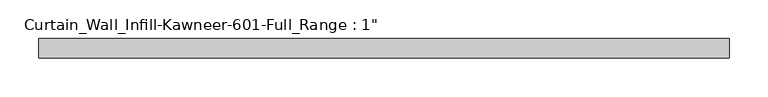
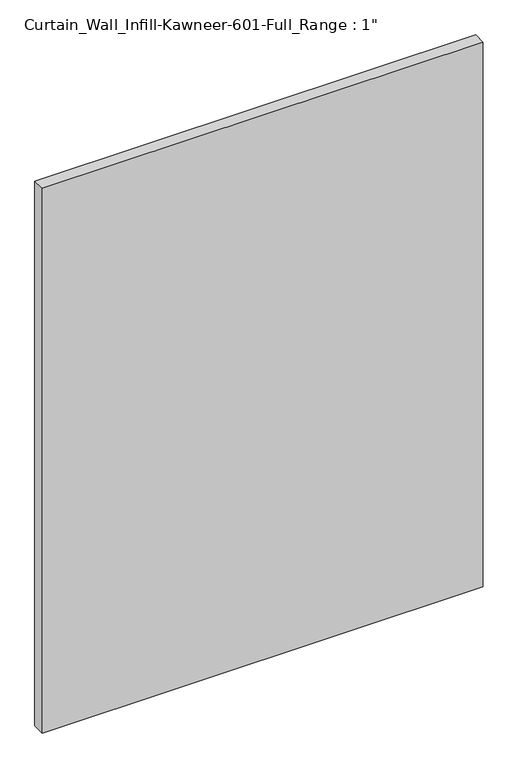
"""IFC4 building model written with IfcOpenShell, lengths in millimetres: plate geometry."""

import ifcopenshell
import ifcopenshell.guid

model = None  # the IFC model being written
_history = None  # IfcOwnerHistory: only IFC2X3 demands one
_inside = {}  # id of a spatial element -> (the spatial element, [elements in it])
_under = {}  # id of a project, library or spatial element -> (it, [spatial elements below it])
_declared = {}  # id of a project -> (the project, [libraries it declares])
_typed = {}  # id of a type object -> (the type object, [elements of that type])
_made_of = {}  # id of a material, layer set ... -> (it, [elements and type objects made of it])


def new_model(schema):
    """Start an empty IFC model of exactly this schema.

    Asked for "IFC4X3", IfcOpenShell would pick the latest addendum, in which some entities
    have other attributes; the version numbers below select the first issue.
    IFC2X3 requires an IfcOwnerHistory on every rooted entity: one is made here for all.
    """
    global model, _history
    if schema == "IFC4X3":
        model = ifcopenshell.file(schema_version=(4, 3, 0, 0))
    else:
        model = ifcopenshell.file(schema=schema)
    _inside.clear()
    _under.clear()
    _declared.clear()
    _typed.clear()
    _made_of.clear()
    _history = None
    if model.schema == "IFC2X3":
        org = make("IfcOrganization", Name="unknown")
        user = make(
            "IfcPersonAndOrganization",
            ThePerson=make("IfcPerson", FamilyName="unknown"),
            TheOrganization=org,
        )
        app = make(
            "IfcApplication",
            ApplicationDeveloper=org,
            Version="unknown",
            ApplicationFullName="unknown",
            ApplicationIdentifier="unknown",
        )
        _history = make(
            "IfcOwnerHistory",
            OwningUser=user,
            OwningApplication=app,
            ChangeAction="ADDED",
            CreationDate=0,
        )
    return model


def make(cls, **values):
    """One entity of the class cls with the attributes given. An attribute that is None is left unset."""
    return model.create_entity(
        cls, **{name: value for name, value in values.items() if value is not None}
    )


def rooted(cls, **values):
    """An entity with a GlobalId (a new one), such as an element, a storey or a relation."""
    return make(cls, GlobalId=ifcopenshell.guid.new(), OwnerHistory=_history, **values)


def si_unit(unit_type, name, prefix=None):
    """IfcSIUnit, for example si_unit("LENGTHUNIT", "METRE", prefix="MILLI")."""
    return make("IfcSIUnit", UnitType=unit_type, Prefix=prefix, Name=name)


def assignment(units):
    """IfcUnitAssignment: the units of a project."""
    return None if units is None else make("IfcUnitAssignment", Units=units)


def point(xyz):
    """IfcCartesianPoint."""
    return None if xyz is None else make("IfcCartesianPoint", Coordinates=xyz)


def direction(xyz):
    """IfcDirection."""
    return None if xyz is None else make("IfcDirection", DirectionRatios=xyz)


def frame(location, z_axis=None, x_axis=None):
    """IfcAxis2Placement3D, a coordinate frame: its origin and axes. An axis left out is left unset."""
    return make(
        "IfcAxis2Placement3D",
        Location=point(location),
        Axis=direction(z_axis),
        RefDirection=direction(x_axis),
    )


def origin():
    """The frame at (0, 0, 0) with its axes left unset."""
    return frame((0.0, 0.0, 0.0))


def origin_with_axes():
    """The frame at (0, 0, 0) with the z axis (0, 0, 1) and the x axis (1, 0, 0) written out."""
    return frame((0.0, 0.0, 0.0), z_axis=(0.0, 0.0, 1.0), x_axis=(1.0, 0.0, 0.0))


def place(relative_to, where):
    """IfcLocalPlacement: puts the frame where relative to a parent placement (None: the world)."""
    return make(
        "IfcLocalPlacement", PlacementRelTo=relative_to, RelativePlacement=where
    )


def context(
    kind, dimensions, precision=None, world=None, true_north=None, identifier=None
):
    """IfcGeometricRepresentationContext, for example the 3D "Model" context."""
    return make(
        "IfcGeometricRepresentationContext",
        ContextIdentifier=identifier,
        ContextType=kind,
        CoordinateSpaceDimension=dimensions,
        Precision=precision,
        WorldCoordinateSystem=world,
        TrueNorth=true_north,
    )


def project(units=None, contexts=None):
    """IfcProject with its units and contexts."""
    return rooted(
        "IfcProject",
        Name="project",
        RepresentationContexts=contexts,
        UnitsInContext=assignment(units),
    )


def spatial(cls, under=None, at=None, **own):
    """A site, building, storey or space (cls), placed at a placement, below another one or the project."""
    s = rooted(cls, ObjectPlacement=at, **own)
    if under is not None:
        _under.setdefault(under.id(), (under, []))[1].append(s)
    return s


def polyline(points):
    """IfcPolyline through the points."""
    return make("IfcPolyline", Points=[point(p) for p in points])


def outline(outer, holes=None, kind="AREA"):
    """IfcArbitraryClosedProfileDef: a profile drawn as a closed curve; with holes, ...WithVoids."""
    if holes is None:
        return make("IfcArbitraryClosedProfileDef", ProfileType=kind, OuterCurve=outer)
    return make(
        "IfcArbitraryProfileDefWithVoids",
        ProfileType=kind,
        OuterCurve=outer,
        InnerCurves=holes,
    )


def extrude(swept, where, along, depth):
    """IfcExtrudedAreaSolid: the profile swept, set in the frame where, extruded along a direction by depth."""
    return make(
        "IfcExtrudedAreaSolid",
        SweptArea=swept,
        Position=where,
        ExtrudedDirection=direction(along),
        Depth=depth,
    )


def shape(context_of_items, identifier, shape_type, items):
    """IfcShapeRepresentation: the items that make up one representation, for example the "Body"."""
    return make(
        "IfcShapeRepresentation",
        ContextOfItems=context_of_items,
        RepresentationIdentifier=identifier,
        RepresentationType=shape_type,
        Items=items,
    )


def source(mapping_origin, context_of_items, identifier, shape_type, items):
    """IfcRepresentationMap: a shape defined once, which mapped items show again and again."""
    return make(
        "IfcRepresentationMap",
        MappingOrigin=mapping_origin,
        MappedRepresentation=shape(context_of_items, identifier, shape_type, items),
    )


def transform(
    local_origin,
    x_axis=None,
    y_axis=None,
    z_axis=None,
    scale=None,
    scale2=None,
    scale3=None,
    uniform=True,
):
    """IfcCartesianTransformationOperator3D, or its non-uniform kind. x_axis, y_axis, z_axis: its Axis1, 2, 3."""
    if uniform:
        return make(
            "IfcCartesianTransformationOperator3D",
            Axis1=direction(x_axis),
            Axis2=direction(y_axis),
            LocalOrigin=point(local_origin),
            Scale=scale,
            Axis3=direction(z_axis),
        )
    return make(
        "IfcCartesianTransformationOperator3DnonUniform",
        Axis1=direction(x_axis),
        Axis2=direction(y_axis),
        LocalOrigin=point(local_origin),
        Scale=scale,
        Axis3=direction(z_axis),
        Scale2=scale2,
        Scale3=scale3,
    )


def mapped(mapping_source, mapping_target):
    """IfcMappedItem: shows the shape of a source again, moved by a transform."""
    return make(
        "IfcMappedItem", MappingSource=mapping_source, MappingTarget=mapping_target
    )


def made_of(thing, what):
    """Note that an element or type object is made of a material, layer set ...; save() writes the relation."""
    if what is not None:
        _made_of.setdefault(what.id(), (what, []))[1].append(thing)
    return thing


def element(
    cls,
    number,
    at=None,
    inside=None,
    cuts=None,
    type_object=None,
    material=None,
    context=None,
    identifier="Body",
    shape_type=None,
    held_by="IfcProductDefinitionShape",
    body=None,
    shapes=None,
    **own,
):
    """One element of the class cls, such as IfcWall. Its Tag is "e" and its number.

    at: its placement. inside: the storey or other place that contains it. cuts: it is an
    opening in that element (IfcRelVoidsElement). A single representation is given by context,
    identifier, shape_type and body (its items); several are given by shapes. held_by: the class
    of the entity that holds the representations. save() writes the other relations.
    """
    e = rooted(cls, Tag="e%d" % number, ObjectPlacement=at, **own)
    if body is not None:
        shapes = [shape(context, identifier, shape_type, body)]
    if shapes is not None:
        e.Representation = make(held_by, Representations=shapes)
    if inside is not None:
        _inside.setdefault(inside.id(), (inside, []))[1].append(e)
    if cuts is not None:
        rooted(
            "IfcRelVoidsElement", RelatingBuildingElement=cuts, RelatedOpeningElement=e
        )
    if type_object is not None:
        _typed.setdefault(type_object.id(), (type_object, []))[1].append(e)
    return made_of(e, material)


def aggregate(whole, parts):
    """IfcRelAggregates: a whole, such as a stair, and the parts it consists of."""
    return rooted("IfcRelAggregates", RelatingObject=whole, RelatedObjects=parts)


def save(model, path):
    """Write the relations noted so far, then the file.

    IfcRelAggregates (storeys below a building ...), IfcRelContainedInSpatialStructure (elements
    in a storey), IfcRelDefinesByType, IfcRelAssociatesMaterial and IfcRelDeclares: one each for
    every whole, place, type object, material and project.
    """
    for whole, parts in _under.values():
        aggregate(whole, parts)
    for where, things in _inside.values():
        rooted(
            "IfcRelContainedInSpatialStructure",
            RelatedElements=things,
            RelatingStructure=where,
        )
    for kind, things in _typed.values():
        rooted("IfcRelDefinesByType", RelatedObjects=things, RelatingType=kind)
    for what, things in _made_of.values():
        rooted("IfcRelAssociatesMaterial", RelatedObjects=things, RelatingMaterial=what)
    for by, libraries in _declared.values():
        rooted("IfcRelDeclares", RelatingContext=by, RelatedDefinitions=libraries)
    model.write(path)


def plate_adf6c4a2(model_context):
    return source(origin(), model_context, "Body", "SweptSolid", [
        extrude(outline(polyline([(-444.9757381, -12.7), (-444.9757381, 12.7), (444.9757381, 12.7), (444.9757381, -12.7), (-444.9757381, -12.7)])), origin_with_axes(), (0.0, 0.0, 1.0), 1162.05),
    ])


if __name__ == "__main__":
    model = new_model("IFC4")
    model_context = context("Model", 3, world=origin())
    ifc_project = project(units=[si_unit("LENGTHUNIT", "METRE", prefix="MILLI")], contexts=[model_context])
    site = spatial("IfcSite", under=ifc_project)
    building = spatial("IfcBuilding", under=site)
    placement = place(None, origin())
    plate_shape = plate_adf6c4a2(model_context)
    element("IfcPlate", 1, ObjectType="Curtain_Wall_Infill-Kawneer-601-Full_Range : 1\"", at=placement, inside=building, context=model_context, shape_type="MappedRepresentation", body=[
        mapped(plate_shape, transform((0.0, 0.0, 0.0), x_axis=(1.0, 0.0, 0.0), y_axis=(0.0, 1.0, 0.0), z_axis=(0.0, 0.0, 1.0))),
    ])
    save(model, "model.ifc")
